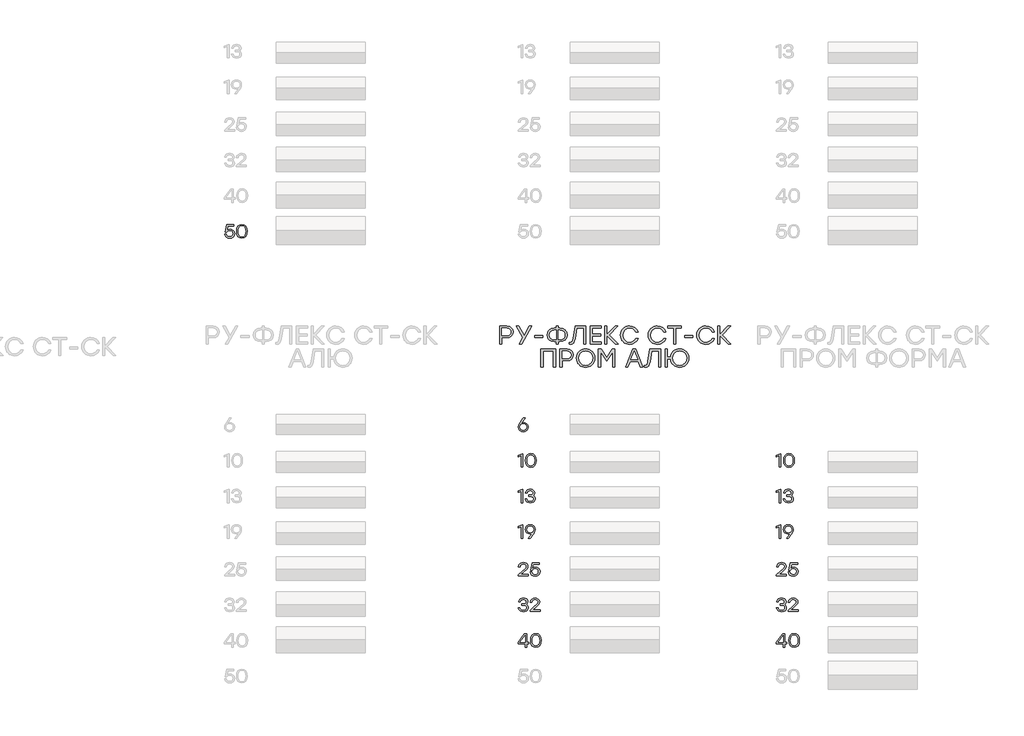
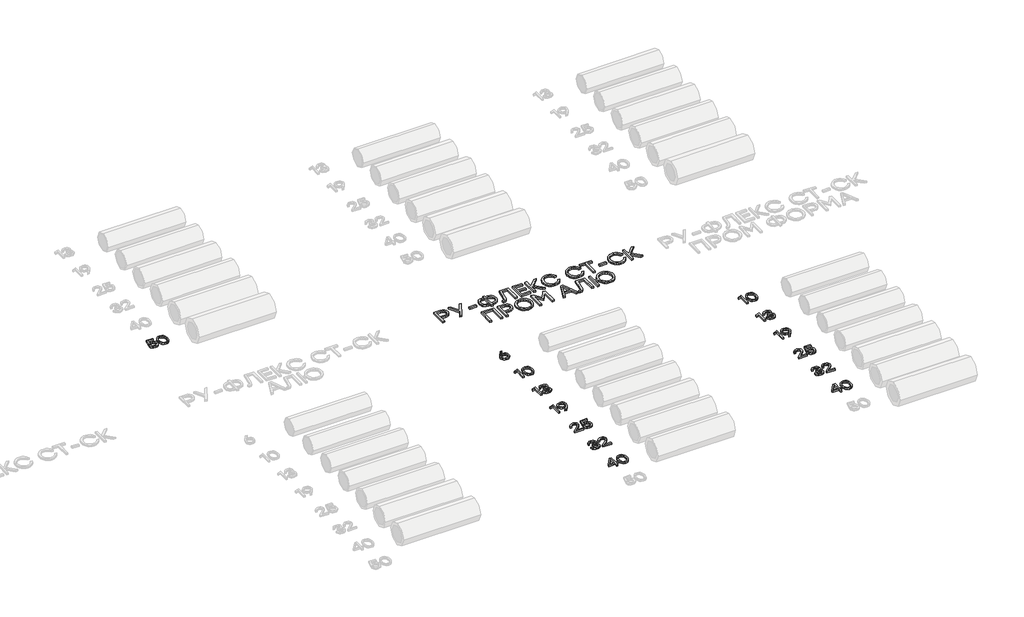
# One storey, part 37 of 41: 15 proxies.
"""IFC4 building model written with IfcOpenShell, lengths in millimetres."""

from ifc_helpers import new_model, si_unit, origin, origin_with_axes, place, context, project, spatial, polyline, outline, extrude, element, save

model = new_model("IFC4")

# Units and contexts
model_context = context("Model", 3, world=origin())
ifc_project = project(units=[si_unit("LENGTHUNIT", "METRE", prefix="MILLI")], contexts=[model_context])

# Site, building, storey
site = spatial("IfcSite", under=ifc_project)
building = spatial("IfcBuilding", under=site)
storey = spatial("IfcBuildingStorey", under=building, Elevation=0.0)

# Proxies
placement = place(None, origin())
element("IfcBuildingElementProxy", 1, Name="Generic Models", at=placement, inside=storey, context=model_context, shape_type="SweptSolid", body=[
    extrude(outline(polyline([(25600.1133644, -11272.3174479), (25620.0017829, -11275.6910158), (25636.4208221, -11285.8117197), (25647.4340843, -11301.5096524), (25651.1051717, -11321.6149072), (25647.1970773, -11342.3152008), (25635.4727941, -11358.9914178), (25617.9090614, -11369.9895519), (25596.4826186, -11373.6555966), (25575.5251471, -11370.6047616), (25557.6739804, -11361.4522566), (25544.6537227, -11346.7225227), (25538.1889781, -11326.940001), (25556.1813405, -11326.940001), (25561.3299397, -11339.6425685), (25570.3210782, -11349.0270378), (25582.3176674, -11354.8211029), (25596.4826186, -11356.7524579), (25610.9703028, -11354.2311067), (25622.7248422, -11346.667053), (25630.5158175, -11335.3613141), (25633.1128093, -11321.6149072), (25630.541031, -11307.6718348), (25622.8256963, -11296.7442986), (25611.1467974, -11289.6794724), (25596.6843267, -11287.3245304), (25575.6865136, -11292.195781), (25561.1030181, -11306.8095327), (25543.9578297, -11306.8095327), (25562.1922418, -11221.3256405), (25644.0453882, -11221.3256405), (25644.0453882, -11238.2287792), (25575.6663428, -11238.2287792), (25565.8229876, -11284.9443748), (25581.2536571, -11275.4741796), (25600.1133644, -11272.3174479)])), origin_with_axes(), (0.0, 0.0, 1.0), 20.0),
    extrude(outline(polyline([(25733.2810511, -11218.945485), (25758.7870401, -11224.0083582), (25777.8585409, -11239.1969781), (25789.7492333, -11263.5986153), (25793.7127974, -11296.3005408), (25789.7492333, -11329.0024663), (25777.8585409, -11353.4041035), (25758.7870401, -11368.5927233), (25733.2810511, -11373.6555966), (25707.9263431, -11368.6229795), (25688.8245861, -11353.5251284), (25676.8431251, -11329.1587901), (25672.8493047, -11296.3207116), (25676.8431251, -11263.4775904), (25688.8245861, -11239.096124), (25707.9263431, -11223.9831447), (25733.2810511, -11218.945485)]), holes=[polyline([(25702.096979, -11342.0681084), (25715.520653, -11353.0813705), (25733.2810511, -11356.7524579), (25751.0414492, -11353.0813705), (25764.4651231, -11342.0681084), (25772.906607, -11323.2890844), (25775.720435, -11296.3207116), (25772.906607, -11269.3523388), (25764.4651231, -11250.5733148), (25751.0414492, -11239.5600526), (25733.2810511, -11235.8889653), (25715.520653, -11239.5600526), (25702.096979, -11250.5733148), (25693.6554951, -11269.3523388), (25690.8416671, -11296.3207116), (25693.6554951, -11323.2890844), (25702.096979, -11342.0681084)])]), origin_with_axes(), (0.0, 0.0, 1.0), 20.0),
])
element("IfcBuildingElementProxy", 2, Name="Generic Models", at=placement, inside=storey, context=model_context, shape_type="SweptSolid", body=[
    extrude(outline(polyline([(28899.0241406, -13446.3810501), (28918.6906803, -13449.7294046), (28935.2509151, -13459.7744679), (28946.5062271, -13475.6085536), (28950.2579977, -13496.3239753), (28946.2389638, -13517.8411868), (28934.1818622, -13534.870393), (28916.1239447, -13545.9592957), (28894.102463, -13549.6555966), (28872.2625187, -13545.9895519), (28854.2651136, -13534.9914178), (28842.208012, -13517.8311013), (28838.1889781, -13495.6785094), (28840.8111834, -13477.8323854), (28848.6777992, -13459.8753219), (28890.4717173, -13400.3109204), (28892.8115312, -13397.3256405), (28913.627807, -13397.3256405), (28870.9463733, -13454.3283492), (28884.9449154, -13448.3678749), (28899.0241406, -13446.3810501)]), holes=[polyline([(28894.102463, -13532.7524579), (28909.2103996, -13530.2311067), (28921.5347644, -13522.667053), (28929.7341987, -13511.0385811), (28932.4673434, -13496.3239753), (28929.7341987, -13481.5085155), (28921.5347644, -13470.0615809), (28909.2608266, -13462.7395769), (28894.3041711, -13460.2989089), (28878.9743556, -13462.7647904), (28866.7911865, -13470.1624349), (28858.833802, -13481.6850101), (28856.1813405, -13496.5256834), (28858.884229, -13511.3663568), (28866.9928946, -13522.8889319), (28879.1760637, -13530.2865764), (28894.102463, -13532.7524579)])]), origin_with_axes(), (0.0, 0.0, 1.0), 20.0),
])
element("IfcBuildingElementProxy", 3, Name="Generic Models", at=placement, inside=storey, context=model_context, shape_type="SweptSolid", body=[
    extrude(outline(polyline([(28880.1846042, -13797.3256405), (28888.3336114, -13797.3256405), (28888.3336114, -13947.3157827), (28870.5429571, -13947.3157827), (28870.5429571, -13818.1015747), (28836.0508722, -13832.0194335), (28836.0508722, -13814.4708289), (28880.1846042, -13797.3256405)])), origin_with_axes(), (0.0, 0.0, 1.0), 20.0),
    extrude(outline(polyline([(28979.0619142, -13794.945485), (29004.5679032, -13800.0083582), (29023.639404, -13815.1969781), (29035.5300964, -13839.5986153), (29039.4936605, -13872.3005408), (29035.5300964, -13905.0024663), (29023.639404, -13929.4041035), (29004.5679032, -13944.5927233), (28979.0619142, -13949.6555966), (28953.7072062, -13944.6229795), (28934.6054492, -13929.5251284), (28922.6239882, -13905.1587901), (28918.6301678, -13872.3207116), (28922.6239882, -13839.4775904), (28934.6054492, -13815.096124), (28953.7072062, -13799.9831447), (28979.0619142, -13794.945485)]), holes=[polyline([(28947.8778421, -13918.0681084), (28961.3015161, -13929.0813705), (28979.0619142, -13932.7524579), (28996.8223123, -13929.0813705), (29010.2459862, -13918.0681084), (29018.6874701, -13899.2890844), (29021.5012981, -13872.3207116), (29018.6874701, -13845.3523388), (29010.2459862, -13826.5733148), (28996.8223123, -13815.5600526), (28979.0619142, -13811.8889653), (28961.3015161, -13815.5600526), (28947.8778421, -13826.5733148), (28939.4363582, -13845.3523388), (28936.6225302, -13872.3207116), (28939.4363582, -13899.2890844), (28947.8778421, -13918.0681084)])]), origin_with_axes(), (0.0, 0.0, 1.0), 20.0),
])
element("IfcBuildingElementProxy", 4, Name="Generic Models", at=placement, inside=storey, context=model_context, shape_type="SweptSolid", body=[
    extrude(outline(polyline([(28880.1846042, -14197.3256405), (28888.3336114, -14197.3256405), (28888.3336114, -14347.3157827), (28870.5429571, -14347.3157827), (28870.5429571, -14218.1015747), (28836.0508722, -14232.0194335), (28836.0508722, -14214.4708289), (28880.1846042, -14197.3256405)])), origin_with_axes(), (0.0, 0.0, 1.0), 20.0),
    extrude(outline(polyline([(29001.3708299, -14268.246208), (29012.5807575, -14273.7124975), (29020.9566862, -14281.9623587), (29026.1758833, -14292.6226317), (29027.9156157, -14305.3201565), (29024.2193147, -14323.5696968), (29013.130412, -14337.6539647), (28996.0406934, -14346.6551886), (28974.3419447, -14349.6555966), (28952.9558435, -14346.7661281), (28935.0290362, -14338.0977226), (28922.084419, -14323.9126005), (28915.644888, -14304.4729825), (28933.6372504, -14304.4729825), (28938.4984155, -14316.845253), (28946.8693016, -14325.6825891), (28958.7499086, -14330.9849907), (28974.1402366, -14332.7524579), (28989.0515078, -14330.8211029), (29000.3824602, -14325.0270378), (29007.538055, -14315.9148744), (29009.9232533, -14304.0292247), (29007.9162577, -14293.2479268), (29001.8952709, -14284.8669553), (28991.5274747, -14279.4813491), (28976.4800505, -14277.686147), (28955.7041163, -14277.686147), (28955.7041163, -14262.0335986), (28971.3566648, -14262.0335986), (28986.0763133, -14260.586343), (28996.5903479, -14256.2445761), (29002.8987687, -14249.0082981), (29005.0015756, -14238.8775088), (29002.7222741, -14227.7381791), (28995.8843696, -14219.1706276), (28985.2946944, -14213.7093808), (28971.760081, -14211.8889653), (28958.9213605, -14213.4169041), (28948.6443329, -14218.0007206), (28940.9794251, -14226.1144289), (28935.9770643, -14238.2320429), (28917.9847019, -14238.2320429), (28924.6561973, -14219.0294319), (28936.5216762, -14205.555331), (28952.6734522, -14197.5979465), (28972.2038388, -14194.945485), (28992.2183249, -14197.8652097), (29008.5314674, -14206.6243839), (29019.3783204, -14219.9925881), (29022.993938, -14236.739403), (29017.4267945, -14256.0226972), (29010.6292316, -14263.2539326), (29001.3708299, -14268.246208)])), origin_with_axes(), (0.0, 0.0, 1.0), 20.0),
])
element("IfcBuildingElementProxy", 5, Name="Generic Models", at=placement, inside=storey, context=model_context, shape_type="SweptSolid", body=[
    extrude(outline(polyline([(28880.1846042, -14597.3256405), (28888.3336114, -14597.3256405), (28888.3336114, -14747.3157827), (28870.5429571, -14747.3157827), (28870.5429571, -14618.1015747), (28836.0508722, -14632.0194335), (28836.0508722, -14614.4708289), (28880.1846042, -14597.3256405)])), origin_with_axes(), (0.0, 0.0, 1.0), 20.0),
    extrude(outline(polyline([(28971.760081, -14594.945485), (28993.6302816, -14598.5913589), (29011.6377721, -14609.5289805), (29023.6948737, -14626.6792116), (29027.7139076, -14648.9629138), (29025.0866596, -14666.8039951), (29017.2049156, -14684.7459305), (28975.4311684, -14744.3305028), (28973.0510128, -14747.3157827), (28952.2750787, -14747.3157827), (28994.9161707, -14690.313074), (28980.9377995, -14696.2735483), (28966.8384034, -14698.2603731), (28947.1769065, -14694.9120186), (28930.6317997, -14684.8669553), (28919.3916159, -14669.0328696), (28915.644888, -14648.3174479), (28919.6639218, -14626.7699802), (28931.7210234, -14609.7306886), (28949.7688555, -14598.6417859), (28971.760081, -14594.945485)]), holes=[polyline([(28971.5583729, -14684.3021727), (28986.9436581, -14681.8413339), (28999.2125532, -14674.4588174), (29007.2455782, -14662.9513704), (29009.9232533, -14648.1157398), (29007.1901085, -14633.2750664), (28998.9906743, -14621.7524913), (28986.7217792, -14614.3548468), (28971.7802518, -14611.8889653), (28956.8387244, -14614.4052738), (28944.5698293, -14621.9541994), (28936.3703951, -14633.5776286), (28933.6372504, -14648.3174479), (28936.3401389, -14663.127865), (28944.4488044, -14674.5596715), (28956.6319736, -14681.8665474), (28971.5583729, -14684.3021727)])]), origin_with_axes(), (0.0, 0.0, 1.0), 20.0),
])
element("IfcBuildingElementProxy", 6, Name="Generic Models", at=placement, inside=storey, context=model_context, shape_type="SweptSolid", body=[
    extrude(outline(polyline([(28950.7017555, -15154.1705943), (28950.7017555, -15171.3157827), (28838.1889781, -15171.3157827), (28838.1889781, -15158.446806), (28881.6772442, -15120.5256834), (28920.3648575, -15084.5409586), (28926.7186626, -15074.5765786), (28928.8365976, -15063.9667326), (28926.5320826, -15052.6912499), (28919.6185375, -15043.7152395), (28908.847325, -15037.8455338), (28894.9698079, -15035.8889653), (28881.0368209, -15037.9514306), (28870.0991993, -15044.1388265), (28862.222498, -15054.077993), (28857.4722723, -15067.3957703), (28839.4799099, -15067.3957703), (28845.6773913, -15047.3964123), (28857.8958593, -15032.0161698), (28874.9956634, -15022.2131562), (28895.8371527, -15018.945485), (28916.3811225, -15022.1072594), (28932.5883682, -15031.5925828), (28943.117531, -15045.8483026), (28946.6272519, -15063.3212667), (28944.0806872, -15077.9602319), (28936.4409929, -15091.0561302), (28896.2405689, -15129.3201565), (28867.5173356, -15154.1705943), (28950.7017555, -15154.1705943)])), origin_with_axes(), (0.0, 0.0, 1.0), 20.0),
    extrude(outline(polyline([(29031.7884111, -15072.3174479), (29051.6768297, -15075.6910158), (29068.0958689, -15085.8117197), (29079.1091311, -15101.5096524), (29082.7802185, -15121.6149072), (29078.8721241, -15142.3152008), (29067.1478408, -15158.9914178), (29049.5841081, -15169.9895519), (29028.1576654, -15173.6555966), (29007.2001939, -15170.6047616), (28989.3490272, -15161.4522566), (28976.3287694, -15146.7225227), (28969.8640249, -15126.940001), (28987.8563873, -15126.940001), (28993.0049865, -15139.6425685), (29001.996125, -15149.0270378), (29013.9927141, -15154.8211029), (29028.1576654, -15156.7524579), (29042.6453496, -15154.2311067), (29054.399889, -15146.667053), (29062.1908643, -15135.3613141), (29064.7878561, -15121.6149072), (29062.2160778, -15107.6718348), (29054.500743, -15096.7442986), (29042.8218441, -15089.6794724), (29028.3593735, -15087.3245304), (29007.3615604, -15092.195781), (28992.7780649, -15106.8095327), (28975.6328765, -15106.8095327), (28993.8672886, -15021.3256405), (29075.720435, -15021.3256405), (29075.720435, -15038.2287792), (29007.3413896, -15038.2287792), (28997.4980344, -15084.9443748), (29012.9287039, -15075.4741796), (29031.7884111, -15072.3174479)])), origin_with_axes(), (0.0, 0.0, 1.0), 20.0),
])
element("IfcBuildingElementProxy", 7, Name="Generic Models", at=placement, inside=storey, context=model_context, shape_type="SweptSolid", body=[
    extrude(outline(polyline([(28923.91492, -15492.246208), (28935.1248476, -15497.7124975), (28943.5007764, -15505.9623587), (28948.7199734, -15516.6226317), (28950.4597058, -15529.3201565), (28946.7634049, -15547.5696968), (28935.6745022, -15561.6539647), (28918.5847835, -15570.6551886), (28896.8860348, -15573.6555966), (28875.4999336, -15570.7661281), (28857.5731264, -15562.0977226), (28844.6285091, -15547.9126005), (28838.1889781, -15528.4729825), (28856.1813405, -15528.4729825), (28861.0425057, -15540.845253), (28869.4133918, -15549.6825891), (28881.2939988, -15554.9849907), (28896.6843267, -15556.7524579), (28911.5955979, -15554.8211029), (28922.9265503, -15549.0270378), (28930.0821451, -15539.9148744), (28932.4673434, -15528.0292247), (28930.4603478, -15517.2479268), (28924.4393611, -15508.8669553), (28914.0715648, -15503.4813491), (28899.0241406, -15501.686147), (28878.2482065, -15501.686147), (28878.2482065, -15486.0335986), (28893.9007549, -15486.0335986), (28908.6204034, -15484.586343), (28919.1344381, -15480.2445761), (28925.4428589, -15473.0082981), (28927.5456658, -15462.8775088), (28925.2663643, -15451.7381791), (28918.4284597, -15443.1706276), (28907.8387845, -15437.7093808), (28894.3041711, -15435.8889653), (28881.4654507, -15437.4169041), (28871.188423, -15442.0007206), (28863.5235153, -15450.1144289), (28858.5211544, -15462.2320429), (28840.528792, -15462.2320429), (28847.2002874, -15443.0294319), (28859.0657663, -15429.555331), (28875.2175423, -15421.5979465), (28894.7479289, -15418.945485), (28914.762415, -15421.8652097), (28931.0755575, -15430.6243839), (28941.9224105, -15443.9925881), (28945.5380282, -15460.739403), (28939.9708847, -15480.0226972), (28933.1733217, -15487.2539326), (28923.91492, -15492.246208)])), origin_with_axes(), (0.0, 0.0, 1.0), 20.0),
    extrude(outline(polyline([(29082.3768023, -15554.1705943), (29082.3768023, -15571.3157827), (28969.8640249, -15571.3157827), (28969.8640249, -15558.446806), (29013.3522909, -15520.5256834), (29052.0399042, -15484.5409586), (29058.3937094, -15474.5765786), (29060.5116444, -15463.9667326), (29058.2071294, -15452.6912499), (29051.2935843, -15443.7152395), (29040.5223718, -15437.8455338), (29026.6448546, -15435.8889653), (29012.7118677, -15437.9514306), (29001.7742461, -15444.1388265), (28993.8975448, -15454.077993), (28989.1473191, -15467.3957703), (28971.1549567, -15467.3957703), (28977.352438, -15447.3964123), (28989.5709061, -15432.0161698), (29006.6707102, -15422.2131562), (29027.5121995, -15418.945485), (29048.0561693, -15422.1072594), (29064.263415, -15431.5925828), (29074.7925778, -15445.8483026), (29078.3022987, -15463.3212667), (29075.7557339, -15477.9602319), (29068.1160397, -15491.0561302), (29027.9156157, -15529.3201565), (28999.1923824, -15554.1705943), (29082.3768023, -15554.1705943)])), origin_with_axes(), (0.0, 0.0, 1.0), 20.0),
])
element("IfcBuildingElementProxy", 8, Name="Generic Models", at=placement, inside=storey, context=model_context, shape_type="SweptSolid", body=[
    extrude(outline(polyline([(28956.268899, -15918.5892857), (28956.268899, -15935.3310579), (28934.202033, -15935.3310579), (28934.202033, -15971.3157827), (28916.4113787, -15971.3157827), (28916.4113787, -15935.3310579), (28836.0508722, -15935.3310579), (28836.0508722, -15918.5892857), (28907.6169056, -15821.3256405), (28934.202033, -15821.3256405), (28934.202033, -15918.5892857), (28956.268899, -15918.5892857)]), holes=[polyline([(28855.7375827, -15918.3875776), (28916.4113787, -15918.3875776), (28916.4113787, -15838.0270711), (28914.6766891, -15838.0270711), (28855.7375827, -15918.3875776)])]), origin_with_axes(), (0.0, 0.0, 1.0), 20.0),
    extrude(outline(polyline([(29035.8629147, -15818.945485), (29061.3689038, -15824.0083582), (29080.4404045, -15839.1969781), (29092.3310969, -15863.5986153), (29096.2946611, -15896.3005408), (29092.3310969, -15929.0024663), (29080.4404045, -15953.4041035), (29061.3689038, -15968.5927233), (29035.8629147, -15973.6555966), (29010.5082067, -15968.6229795), (28991.4064498, -15953.5251284), (28979.4249887, -15929.1587901), (28975.4311684, -15896.3207116), (28979.4249887, -15863.4775904), (28991.4064498, -15839.096124), (29010.5082067, -15823.9831447), (29035.8629147, -15818.945485)]), holes=[polyline([(29004.6788427, -15942.0681084), (29018.1025167, -15953.0813705), (29035.8629147, -15956.7524579), (29053.6233128, -15953.0813705), (29067.0469868, -15942.0681084), (29075.4884707, -15923.2890844), (29078.3022987, -15896.3207116), (29075.4884707, -15869.3523388), (29067.0469868, -15850.5733148), (29053.6233128, -15839.5600526), (29035.8629147, -15835.8889653), (29018.1025167, -15839.5600526), (29004.6788427, -15850.5733148), (28996.2373588, -15869.3523388), (28993.4235308, -15896.3207116), (28996.2373588, -15923.2890844), (29004.6788427, -15942.0681084)])]), origin_with_axes(), (0.0, 0.0, 1.0), 20.0),
])
element("IfcBuildingElementProxy", 9, Name="Generic Models", at=placement, inside=storey, context=model_context, shape_type="SweptSolid", body=[
    extrude(outline(polyline([(31780.1846042, -13797.3256405), (31788.3336114, -13797.3256405), (31788.3336114, -13947.3157827), (31770.5429571, -13947.3157827), (31770.5429571, -13818.1015747), (31736.0508722, -13832.0194335), (31736.0508722, -13814.4708289), (31780.1846042, -13797.3256405)])), origin_with_axes(), (0.0, 0.0, 1.0), 20.0),
    extrude(outline(polyline([(31879.0619142, -13794.945485), (31904.5679032, -13800.0083582), (31923.639404, -13815.1969781), (31935.5300964, -13839.5986153), (31939.4936605, -13872.3005408), (31935.5300964, -13905.0024663), (31923.639404, -13929.4041035), (31904.5679032, -13944.5927233), (31879.0619142, -13949.6555966), (31853.7072062, -13944.6229795), (31834.6054492, -13929.5251284), (31822.6239882, -13905.1587901), (31818.6301678, -13872.3207116), (31822.6239882, -13839.4775904), (31834.6054492, -13815.096124), (31853.7072062, -13799.9831447), (31879.0619142, -13794.945485)]), holes=[polyline([(31847.8778421, -13918.0681084), (31861.3015161, -13929.0813705), (31879.0619142, -13932.7524579), (31896.8223123, -13929.0813705), (31910.2459862, -13918.0681084), (31918.6874701, -13899.2890844), (31921.5012981, -13872.3207116), (31918.6874701, -13845.3523388), (31910.2459862, -13826.5733148), (31896.8223123, -13815.5600526), (31879.0619142, -13811.8889653), (31861.3015161, -13815.5600526), (31847.8778421, -13826.5733148), (31839.4363582, -13845.3523388), (31836.6225302, -13872.3207116), (31839.4363582, -13899.2890844), (31847.8778421, -13918.0681084)])]), origin_with_axes(), (0.0, 0.0, 1.0), 20.0),
])
element("IfcBuildingElementProxy", 10, Name="Generic Models", at=placement, inside=storey, context=model_context, shape_type="SweptSolid", body=[
    extrude(outline(polyline([(31780.1846042, -14197.3256405), (31788.3336114, -14197.3256405), (31788.3336114, -14347.3157827), (31770.5429571, -14347.3157827), (31770.5429571, -14218.1015747), (31736.0508722, -14232.0194335), (31736.0508722, -14214.4708289), (31780.1846042, -14197.3256405)])), origin_with_axes(), (0.0, 0.0, 1.0), 20.0),
    extrude(outline(polyline([(31901.3708299, -14268.246208), (31912.5807575, -14273.7124975), (31920.9566862, -14281.9623587), (31926.1758833, -14292.6226317), (31927.9156157, -14305.3201565), (31924.2193147, -14323.5696968), (31913.130412, -14337.6539647), (31896.0406934, -14346.6551886), (31874.3419447, -14349.6555966), (31852.9558435, -14346.7661281), (31835.0290362, -14338.0977226), (31822.084419, -14323.9126005), (31815.644888, -14304.4729825), (31833.6372504, -14304.4729825), (31838.4984155, -14316.845253), (31846.8693016, -14325.6825891), (31858.7499086, -14330.9849907), (31874.1402366, -14332.7524579), (31889.0515078, -14330.8211029), (31900.3824602, -14325.0270378), (31907.538055, -14315.9148744), (31909.9232533, -14304.0292247), (31907.9162577, -14293.2479268), (31901.8952709, -14284.8669553), (31891.5274747, -14279.4813491), (31876.4800505, -14277.686147), (31855.7041163, -14277.686147), (31855.7041163, -14262.0335986), (31871.3566648, -14262.0335986), (31886.0763133, -14260.586343), (31896.5903479, -14256.2445761), (31902.8987687, -14249.0082981), (31905.0015756, -14238.8775088), (31902.7222741, -14227.7381791), (31895.8843696, -14219.1706276), (31885.2946944, -14213.7093808), (31871.760081, -14211.8889653), (31858.9213605, -14213.4169041), (31848.6443329, -14218.0007206), (31840.9794251, -14226.1144289), (31835.9770643, -14238.2320429), (31817.9847019, -14238.2320429), (31824.6561973, -14219.0294319), (31836.5216762, -14205.555331), (31852.6734522, -14197.5979465), (31872.2038388, -14194.945485), (31892.2183249, -14197.8652097), (31908.5314674, -14206.6243839), (31919.3783204, -14219.9925881), (31922.993938, -14236.739403), (31917.4267945, -14256.0226972), (31910.6292316, -14263.2539326), (31901.3708299, -14268.246208)])), origin_with_axes(), (0.0, 0.0, 1.0), 20.0),
])
element("IfcBuildingElementProxy", 11, Name="Generic Models", at=placement, inside=storey, context=model_context, shape_type="SweptSolid", body=[
    extrude(outline(polyline([(31780.1846042, -14597.3256405), (31788.3336114, -14597.3256405), (31788.3336114, -14747.3157827), (31770.5429571, -14747.3157827), (31770.5429571, -14618.1015747), (31736.0508722, -14632.0194335), (31736.0508722, -14614.4708289), (31780.1846042, -14597.3256405)])), origin_with_axes(), (0.0, 0.0, 1.0), 20.0),
    extrude(outline(polyline([(31871.760081, -14594.945485), (31893.6302816, -14598.5913589), (31911.6377721, -14609.5289805), (31923.6948737, -14626.6792116), (31927.7139076, -14648.9629138), (31925.0866596, -14666.8039951), (31917.2049156, -14684.7459305), (31875.4311684, -14744.3305028), (31873.0510128, -14747.3157827), (31852.2750787, -14747.3157827), (31894.9161707, -14690.313074), (31880.9377995, -14696.2735483), (31866.8384034, -14698.2603731), (31847.1769065, -14694.9120186), (31830.6317997, -14684.8669553), (31819.3916159, -14669.0328696), (31815.644888, -14648.3174479), (31819.6639218, -14626.7699802), (31831.7210234, -14609.7306886), (31849.7688555, -14598.6417859), (31871.760081, -14594.945485)]), holes=[polyline([(31871.5583729, -14684.3021727), (31886.9436581, -14681.8413339), (31899.2125532, -14674.4588174), (31907.2455782, -14662.9513704), (31909.9232533, -14648.1157398), (31907.1901085, -14633.2750664), (31898.9906743, -14621.7524913), (31886.7217792, -14614.3548468), (31871.7802518, -14611.8889653), (31856.8387244, -14614.4052738), (31844.5698293, -14621.9541994), (31836.3703951, -14633.5776286), (31833.6372504, -14648.3174479), (31836.3401389, -14663.127865), (31844.4488044, -14674.5596715), (31856.6319736, -14681.8665474), (31871.5583729, -14684.3021727)])]), origin_with_axes(), (0.0, 0.0, 1.0), 20.0),
])
element("IfcBuildingElementProxy", 12, Name="Generic Models", at=placement, inside=storey, context=model_context, shape_type="SweptSolid", body=[
    extrude(outline(polyline([(31850.7017555, -15154.1705943), (31850.7017555, -15171.3157827), (31738.1889781, -15171.3157827), (31738.1889781, -15158.446806), (31781.6772442, -15120.5256834), (31820.3648575, -15084.5409586), (31826.7186626, -15074.5765786), (31828.8365976, -15063.9667326), (31826.5320826, -15052.6912499), (31819.6185375, -15043.7152395), (31808.847325, -15037.8455338), (31794.9698079, -15035.8889653), (31781.0368209, -15037.9514306), (31770.0991993, -15044.1388265), (31762.222498, -15054.077993), (31757.4722723, -15067.3957703), (31739.4799099, -15067.3957703), (31745.6773913, -15047.3964123), (31757.8958593, -15032.0161698), (31774.9956634, -15022.2131562), (31795.8371527, -15018.945485), (31816.3811225, -15022.1072594), (31832.5883682, -15031.5925828), (31843.117531, -15045.8483026), (31846.6272519, -15063.3212667), (31844.0806872, -15077.9602319), (31836.4409929, -15091.0561302), (31796.2405689, -15129.3201565), (31767.5173356, -15154.1705943), (31850.7017555, -15154.1705943)])), origin_with_axes(), (0.0, 0.0, 1.0), 20.0),
    extrude(outline(polyline([(31931.7884111, -15072.3174479), (31951.6768297, -15075.6910158), (31968.0958689, -15085.8117197), (31979.1091311, -15101.5096524), (31982.7802185, -15121.6149072), (31978.8721241, -15142.3152008), (31967.1478408, -15158.9914178), (31949.5841081, -15169.9895519), (31928.1576654, -15173.6555966), (31907.2001939, -15170.6047616), (31889.3490272, -15161.4522566), (31876.3287694, -15146.7225227), (31869.8640249, -15126.940001), (31887.8563873, -15126.940001), (31893.0049865, -15139.6425685), (31901.996125, -15149.0270378), (31913.9927141, -15154.8211029), (31928.1576654, -15156.7524579), (31942.6453496, -15154.2311067), (31954.399889, -15146.667053), (31962.1908643, -15135.3613141), (31964.7878561, -15121.6149072), (31962.2160778, -15107.6718348), (31954.500743, -15096.7442986), (31942.8218441, -15089.6794724), (31928.3593735, -15087.3245304), (31907.3615604, -15092.195781), (31892.7780649, -15106.8095327), (31875.6328765, -15106.8095327), (31893.8672886, -15021.3256405), (31975.720435, -15021.3256405), (31975.720435, -15038.2287792), (31907.3413896, -15038.2287792), (31897.4980344, -15084.9443748), (31912.9287039, -15075.4741796), (31931.7884111, -15072.3174479)])), origin_with_axes(), (0.0, 0.0, 1.0), 20.0),
])
element("IfcBuildingElementProxy", 13, Name="Generic Models", at=placement, inside=storey, context=model_context, shape_type="SweptSolid", body=[
    extrude(outline(polyline([(31823.91492, -15492.246208), (31835.1248476, -15497.7124975), (31843.5007764, -15505.9623587), (31848.7199734, -15516.6226317), (31850.4597058, -15529.3201565), (31846.7634049, -15547.5696968), (31835.6745022, -15561.6539647), (31818.5847835, -15570.6551886), (31796.8860348, -15573.6555966), (31775.4999336, -15570.7661281), (31757.5731264, -15562.0977226), (31744.6285091, -15547.9126005), (31738.1889781, -15528.4729825), (31756.1813405, -15528.4729825), (31761.0425057, -15540.845253), (31769.4133918, -15549.6825891), (31781.2939988, -15554.9849907), (31796.6843267, -15556.7524579), (31811.5955979, -15554.8211029), (31822.9265503, -15549.0270378), (31830.0821451, -15539.9148744), (31832.4673434, -15528.0292247), (31830.4603478, -15517.2479268), (31824.4393611, -15508.8669553), (31814.0715648, -15503.4813491), (31799.0241406, -15501.686147), (31778.2482065, -15501.686147), (31778.2482065, -15486.0335986), (31793.9007549, -15486.0335986), (31808.6204034, -15484.586343), (31819.1344381, -15480.2445761), (31825.4428589, -15473.0082981), (31827.5456658, -15462.8775088), (31825.2663643, -15451.7381791), (31818.4284597, -15443.1706276), (31807.8387845, -15437.7093808), (31794.3041711, -15435.8889653), (31781.4654507, -15437.4169041), (31771.188423, -15442.0007206), (31763.5235153, -15450.1144289), (31758.5211544, -15462.2320429), (31740.528792, -15462.2320429), (31747.2002874, -15443.0294319), (31759.0657663, -15429.555331), (31775.2175423, -15421.5979465), (31794.7479289, -15418.945485), (31814.762415, -15421.8652097), (31831.0755575, -15430.6243839), (31841.9224105, -15443.9925881), (31845.5380282, -15460.739403), (31839.9708847, -15480.0226972), (31833.1733217, -15487.2539326), (31823.91492, -15492.246208)])), origin_with_axes(), (0.0, 0.0, 1.0), 20.0),
    extrude(outline(polyline([(31982.3768023, -15554.1705943), (31982.3768023, -15571.3157827), (31869.8640249, -15571.3157827), (31869.8640249, -15558.446806), (31913.3522909, -15520.5256834), (31952.0399042, -15484.5409586), (31958.3937094, -15474.5765786), (31960.5116444, -15463.9667326), (31958.2071294, -15452.6912499), (31951.2935843, -15443.7152395), (31940.5223718, -15437.8455338), (31926.6448546, -15435.8889653), (31912.7118677, -15437.9514306), (31901.7742461, -15444.1388265), (31893.8975448, -15454.077993), (31889.1473191, -15467.3957703), (31871.1549567, -15467.3957703), (31877.352438, -15447.3964123), (31889.5709061, -15432.0161698), (31906.6707102, -15422.2131562), (31927.5121995, -15418.945485), (31948.0561693, -15422.1072594), (31964.263415, -15431.5925828), (31974.7925778, -15445.8483026), (31978.3022987, -15463.3212667), (31975.7557339, -15477.9602319), (31968.1160397, -15491.0561302), (31927.9156157, -15529.3201565), (31899.1923824, -15554.1705943), (31982.3768023, -15554.1705943)])), origin_with_axes(), (0.0, 0.0, 1.0), 20.0),
])
element("IfcBuildingElementProxy", 14, Name="Generic Models", at=placement, inside=storey, context=model_context, shape_type="SweptSolid", body=[
    extrude(outline(polyline([(31856.268899, -15918.5892857), (31856.268899, -15935.3310579), (31834.202033, -15935.3310579), (31834.202033, -15971.3157827), (31816.4113787, -15971.3157827), (31816.4113787, -15935.3310579), (31736.0508722, -15935.3310579), (31736.0508722, -15918.5892857), (31807.6169056, -15821.3256405), (31834.202033, -15821.3256405), (31834.202033, -15918.5892857), (31856.268899, -15918.5892857)]), holes=[polyline([(31755.7375827, -15918.3875776), (31816.4113787, -15918.3875776), (31816.4113787, -15838.0270711), (31814.6766891, -15838.0270711), (31755.7375827, -15918.3875776)])]), origin_with_axes(), (0.0, 0.0, 1.0), 20.0),
    extrude(outline(polyline([(31935.8629147, -15818.945485), (31961.3689038, -15824.0083582), (31980.4404045, -15839.1969781), (31992.3310969, -15863.5986153), (31996.2946611, -15896.3005408), (31992.3310969, -15929.0024663), (31980.4404045, -15953.4041035), (31961.3689038, -15968.5927233), (31935.8629147, -15973.6555966), (31910.5082067, -15968.6229795), (31891.4064498, -15953.5251284), (31879.4249887, -15929.1587901), (31875.4311684, -15896.3207116), (31879.4249887, -15863.4775904), (31891.4064498, -15839.096124), (31910.5082067, -15823.9831447), (31935.8629147, -15818.945485)]), holes=[polyline([(31904.6788427, -15942.0681084), (31918.1025167, -15953.0813705), (31935.8629147, -15956.7524579), (31953.6233128, -15953.0813705), (31967.0469868, -15942.0681084), (31975.4884707, -15923.2890844), (31978.3022987, -15896.3207116), (31975.4884707, -15869.3523388), (31967.0469868, -15850.5733148), (31953.6233128, -15839.5600526), (31935.8629147, -15835.8889653), (31918.1025167, -15839.5600526), (31904.6788427, -15850.5733148), (31896.2373588, -15869.3523388), (31893.4235308, -15896.3207116), (31896.2373588, -15923.2890844), (31904.6788427, -15942.0681084)])]), origin_with_axes(), (0.0, 0.0, 1.0), 20.0),
])
element("IfcBuildingElementProxy", 15, Name="Generic Models", at=placement, inside=storey, context=model_context, shape_type="SweptSolid", body=[
    extrude(outline(polyline([(28710.1380532, -12363.4876334), (28739.157125, -12367.952106), (28761.0222829, -12381.3455237), (28774.7384336, -12401.7987249), (28779.3104838, -12427.4425478), (28774.6980919, -12453.4763398), (28760.8609164, -12474.3464044), (28738.9554169, -12488.0625551), (28710.1380532, -12492.6346053), (28653.5522079, -12492.6346053), (28653.5522079, -12563.4744896), (28629.8313355, -12563.4744896), (28629.8313355, -12363.4876334), (28710.1380532, -12363.4876334)]), holes=[polyline([(28709.277432, -12470.0432983), (28729.1456797, -12467.0445712), (28743.5678087, -12458.04839), (28752.342111, -12444.4801586), (28755.2668784, -12427.7652808), (28752.342111, -12411.1176391), (28743.5678087, -12397.7511157), (28729.1456797, -12388.9566426), (28709.277432, -12386.0251516), (28653.5522079, -12386.0251516), (28653.5522079, -12470.0432983), (28709.277432, -12470.0432983)])]), origin_with_axes(), (0.0, 0.0, 1.0), 20.0),
    extrude(outline(polyline([(28988.3338628, -12363.4876334), (28875.2159611, -12563.4744896), (28848.3753368, -12563.4744896), (28889.792733, -12490.9133629), (28816.9088734, -12363.4876334), (28843.8032865, -12363.4876334), (28902.9172066, -12465.471248), (28961.7621826, -12363.4876334), (28988.3338628, -12363.4876334)])), origin_with_axes(), (0.0, 0.0, 1.0), 20.0),
    extrude(outline(polyline([(29114.8989711, -12466.0629251), (29114.8989711, -12488.6004433), (29022.2746122, -12488.6004433), (29022.2746122, -12466.0629251), (29114.8989711, -12466.0629251)])), origin_with_axes(), (0.0, 0.0, 1.0), 20.0),
    extrude(outline(polyline([(29305.4727826, -12386.0251516), (29337.1207833, -12391.1350901), (29362.8923547, -12406.4649056), (29372.8819483, -12417.5672555), (29380.0173723, -12430.4345513), (29385.7257115, -12461.4639805), (29380.0509903, -12492.4934096), (29372.9575888, -12505.3607054), (29363.0268268, -12516.4630554), (29337.2888734, -12531.7928709), (29305.4727826, -12536.9028094), (29285.7322834, -12536.9028094), (29285.7322834, -12563.4744896), (29262.011411, -12563.4744896), (29262.011411, -12536.9028094), (29242.0557564, -12536.9028094), (29210.1993241, -12531.7928709), (29184.4479235, -12516.4630554), (29174.5171614, -12505.3607054), (29167.4237599, -12492.4934096), (29161.7490388, -12461.4639805), (29167.4641016, -12430.4345513), (29174.6079301, -12417.5672555), (29184.6092899, -12406.4649056), (29210.4010322, -12391.1350901), (29242.0557564, -12386.0251516), (29262.011411, -12386.0251516), (29262.011411, -12363.4876334), (29285.7322834, -12363.4876334), (29285.7322834, -12386.0251516), (29305.4727826, -12386.0251516)]), holes=[polyline([(29305.4727826, -12514.3115023), (29328.0775369, -12510.8488466), (29346.1909241, -12500.4608795), (29358.091702, -12483.7863434), (29362.0586279, -12461.4639805), (29358.091702, -12439.1416176), (29346.1909241, -12422.4670814), (29328.0775369, -12412.0791143), (29305.4727826, -12408.6164586), (29285.7322834, -12408.6164586), (29285.7322834, -12514.3115023), (29305.4727826, -12514.3115023)]), polyline([(29242.0557564, -12514.3115023), (29262.011411, -12514.3115023), (29262.011411, -12408.6164586), (29242.0557564, -12408.6164586), (29219.6527103, -12412.0791143), (29201.6065591, -12422.4670814), (29189.7057812, -12439.1416176), (29185.7388553, -12461.4639805), (29189.6654396, -12483.7863434), (29201.4451926, -12500.4608795), (29219.4510022, -12510.8488466), (29242.0557564, -12514.3115023)])]), origin_with_axes(), (0.0, 0.0, 1.0), 20.0),
    extrude(outline(polyline([(29475.3916849, -12363.4876334), (29595.6635005, -12363.4876334), (29595.6635005, -12563.4744896), (29571.9426281, -12563.4744896), (29571.9426281, -12386.0251516), (29495.3473395, -12386.0251516), (29476.2523061, -12502.3165941), (29469.1521811, -12532.3374827), (29459.3626147, -12552.044364), (29446.1574578, -12562.9567721), (29428.8105613, -12566.5942415), (29413.1042241, -12565.7336203), (29413.1042241, -12544.0567233), (29424.2385111, -12544.5946115), (29434.9357639, -12542.3085864), (29442.4998176, -12535.4505111), (29452.8003779, -12500.9180846), (29475.3916849, -12363.4876334)])), origin_with_axes(), (0.0, 0.0, 1.0), 20.0),
    extrude(outline(polyline([(29772.2522172, -12386.0251516), (29669.0852484, -12386.0251516), (29669.0852484, -12449.4959666), (29765.3672475, -12449.4959666), (29765.3672475, -12472.0334848), (29669.0852484, -12472.0334848), (29669.0852484, -12540.8831825), (29772.2522172, -12540.8831825), (29772.2522172, -12563.4744896), (29645.364376, -12563.4744896), (29645.364376, -12363.4876334), (29772.2522172, -12363.4876334), (29772.2522172, -12386.0251516)])), origin_with_axes(), (0.0, 0.0, 1.0), 20.0),
    extrude(outline(polyline([(29958.8994445, -12563.4744896), (29928.3473912, -12563.4744896), (29834.3245228, -12466.3318693), (29834.3245228, -12563.4744896), (29810.6036504, -12563.4744896), (29810.6036504, -12363.4876334), (29834.3245228, -12363.4876334), (29834.3245228, -12457.1877688), (29925.2276392, -12363.4876334), (29955.5107484, -12363.4876334), (29860.896203, -12461.4908749), (29958.8994445, -12563.4744896)])), origin_with_axes(), (0.0, 0.0, 1.0), 20.0),
    extrude(outline(polyline([(30087.9388388, -12566.5942415), (30066.7409985, -12564.755336), (30047.4156818, -12559.2386195), (30029.9628885, -12550.044092), (30014.3826188, -12537.1717535), (30001.5691119, -12521.5309713), (29992.4166069, -12504.0311129), (29986.9251039, -12484.6721781), (29985.0946029, -12463.4541671), (29986.9251039, -12442.236156), (29992.4166069, -12422.8772212), (30001.5691119, -12405.3773628), (30014.3826188, -12389.7365806), (30029.9628885, -12376.8642421), (30047.4156818, -12367.6697146), (30066.7409985, -12362.1529981), (30087.9388388, -12360.3140926), (30119.4187494, -12364.8525248), (30146.9451812, -12378.4678215), (30168.6893143, -12399.7211315), (30182.8223284, -12427.1736037), (30157.3802135, -12427.1736037), (30145.9164699, -12408.966086), (30129.8134401, -12394.9003079), (30110.0662172, -12385.9041267), (30087.6698946, -12382.9053997), (30056.7682139, -12388.6540805), (30031.51436, -12405.9001229), (30014.6919046, -12431.7927192), (30009.0844194, -12463.4810615), (30014.6919046, -12495.1694038), (30031.51436, -12521.062), (30056.7682139, -12538.3080424), (30087.6698946, -12544.0567233), (30110.0662172, -12541.0579962), (30129.8134401, -12532.061815), (30145.9164699, -12517.9825897), (30157.3802135, -12499.7347304), (30182.8223284, -12499.7347304), (30168.6893143, -12527.2208206), (30146.9451812, -12548.467407), (30119.4187494, -12562.0625329), (30087.9388388, -12566.5942415)])), origin_with_axes(), (0.0, 0.0, 1.0), 20.0),
    extrude(outline(polyline([(30401.2049631, -12566.5942415), (30380.0071229, -12564.755336), (30360.6818061, -12559.2386195), (30343.2290129, -12550.044092), (30327.6487432, -12537.1717535), (30314.8352362, -12521.5309713), (30305.6827312, -12504.0311129), (30300.1912282, -12484.6721781), (30298.3607273, -12463.4541671), (30300.1912282, -12442.236156), (30305.6827312, -12422.8772212), (30314.8352362, -12405.3773628), (30327.6487432, -12389.7365806), (30343.2290129, -12376.8642421), (30360.6818061, -12367.6697146), (30380.0071229, -12362.1529981), (30401.2049631, -12360.3140926), (30432.6848737, -12364.8525248), (30460.2113056, -12378.4678215), (30481.9554386, -12399.7211315), (30496.0884527, -12427.1736037), (30470.6463379, -12427.1736037), (30459.1825943, -12408.966086), (30443.0795644, -12394.9003079), (30423.3323416, -12385.9041267), (30400.936019, -12382.9053997), (30370.0343383, -12388.6540805), (30344.7804843, -12405.9001229), (30327.9580289, -12431.7927192), (30322.3505438, -12463.4810615), (30327.9580289, -12495.1694038), (30344.7804843, -12521.062), (30370.0343383, -12538.3080424), (30400.936019, -12544.0567233), (30423.3323416, -12541.0579962), (30443.0795644, -12532.061815), (30459.1825943, -12517.9825897), (30470.6463379, -12499.7347304), (30496.0884527, -12499.7347304), (30481.9554386, -12527.2208206), (30460.2113056, -12548.467407), (30432.6848737, -12562.0625329), (30401.2049631, -12566.5942415)])), origin_with_axes(), (0.0, 0.0, 1.0), 20.0),
    extrude(outline(polyline([(30671.0097158, -12363.4876334), (30671.0097158, -12386.0251516), (30606.4093355, -12386.0251516), (30606.4093355, -12563.4744896), (30582.4195189, -12563.4744896), (30582.4195189, -12386.0251516), (30518.1418715, -12386.0251516), (30518.1418715, -12363.4876334), (30671.0097158, -12363.4876334)])), origin_with_axes(), (0.0, 0.0, 1.0), 20.0),
    extrude(outline(polyline([(30798.2740789, -12466.0629251), (30798.2740789, -12488.6004433), (30705.64972, -12488.6004433), (30705.64972, -12466.0629251), (30798.2740789, -12466.0629251)])), origin_with_axes(), (0.0, 0.0, 1.0), 20.0),
    extrude(outline(polyline([(30945.1175747, -12566.5942415), (30923.9197344, -12564.755336), (30904.5944176, -12559.2386195), (30887.1416244, -12550.044092), (30871.5613547, -12537.1717535), (30858.7478477, -12521.5309713), (30849.5953428, -12504.0311129), (30844.1038398, -12484.6721781), (30842.2733388, -12463.4541671), (30844.1038398, -12442.236156), (30849.5953428, -12422.8772212), (30858.7478477, -12405.3773628), (30871.5613547, -12389.7365806), (30887.1416244, -12376.8642421), (30904.5944176, -12367.6697146), (30923.9197344, -12362.1529981), (30945.1175747, -12360.3140926), (30976.5974852, -12364.8525248), (31004.1239171, -12378.4678215), (31025.8680501, -12399.7211315), (31040.0010642, -12427.1736037), (31014.5589494, -12427.1736037), (31003.0952058, -12408.966086), (30986.9921759, -12394.9003079), (30967.2449531, -12385.9041267), (30944.8486305, -12382.9053997), (30913.9469498, -12388.6540805), (30888.6930959, -12405.9001229), (30871.8706404, -12431.7927192), (30866.2631553, -12463.4810615), (30871.8706404, -12495.1694038), (30888.6930959, -12521.062), (30913.9469498, -12538.3080424), (30944.8486305, -12544.0567233), (30967.2449531, -12541.0579962), (30986.9921759, -12532.061815), (31003.0952058, -12517.9825897), (31014.5589494, -12499.7347304), (31040.0010642, -12499.7347304), (31025.8680501, -12527.2208206), (31004.1239171, -12548.467407), (30976.5974852, -12562.0625329), (30945.1175747, -12566.5942415)])), origin_with_axes(), (0.0, 0.0, 1.0), 20.0),
    extrude(outline(polyline([(31225.7338814, -12563.4744896), (31195.1818281, -12563.4744896), (31101.1589597, -12466.3318693), (31101.1589597, -12563.4744896), (31077.4380873, -12563.4744896), (31077.4380873, -12363.4876334), (31101.1589597, -12363.4876334), (31101.1589597, -12457.1877688), (31192.0620762, -12363.4876334), (31222.3451854, -12363.4876334), (31127.7306399, -12461.4908749), (31225.7338814, -12563.4744896)])), origin_with_axes(), (0.0, 0.0, 1.0), 20.0),
    extrude(outline(polyline([(29256.3097954, -12622.0098764), (29256.3097954, -12821.9967326), (29232.588923, -12821.9967326), (29232.588923, -12644.5473946), (29116.5664247, -12644.5473946), (29116.5664247, -12821.9967326), (29092.8455523, -12821.9967326), (29092.8455523, -12622.0098764), (29116.5664247, -12622.0098764), (29256.3097954, -12622.0098764)])), origin_with_axes(), (0.0, 0.0, 1.0), 20.0),
    extrude(outline(polyline([(29386.5863327, -12622.0098764), (29415.6054045, -12626.474349), (29437.4705624, -12639.8677667), (29451.1867131, -12660.3209679), (29455.7587633, -12685.9647909), (29451.1463715, -12711.9985828), (29437.3091959, -12732.8686474), (29415.4036964, -12746.5847981), (29386.5863327, -12751.1568483), (29330.0004874, -12751.1568483), (29330.0004874, -12821.9967326), (29306.279615, -12821.9967326), (29306.279615, -12622.0098764), (29386.5863327, -12622.0098764)]), holes=[polyline([(29385.7257115, -12728.5655413), (29405.5939592, -12725.5668142), (29420.0160882, -12716.570633), (29428.7903905, -12703.0024016), (29431.715158, -12686.2875238), (29428.7903905, -12669.6398821), (29420.0160882, -12656.2733587), (29405.5939592, -12647.4788856), (29385.7257115, -12644.5473946), (29330.0004874, -12644.5473946), (29330.0004874, -12728.5655413), (29385.7257115, -12728.5655413)])]), origin_with_axes(), (0.0, 0.0, 1.0), 20.0),
    extrude(outline(polyline([(29520.3591437, -12648.4201901), (29536.1528878, -12635.4772538), (29553.6813216, -12626.2322993), (29572.944445, -12620.6853265), (29593.9422581, -12618.8363356), (29614.9215812, -12620.6853265), (29634.1292349, -12626.2322993), (29651.5652191, -12635.4772538), (29667.2295339, -12648.4201901), (29680.1607039, -12664.1130802), (29689.3972539, -12681.6078959), (29694.9391839, -12700.9046374), (29696.7864939, -12722.0033045), (29694.9290985, -12743.1002907), (29689.3569123, -12762.3919894), (29680.0699353, -12779.8784007), (29667.0681674, -12795.5595244), (29651.3349357, -12808.4906945), (29633.8535672, -12817.7272445), (29614.6240618, -12823.2691745), (29593.6464195, -12825.1164845), (29572.6687773, -12823.2691745), (29553.4392719, -12817.7272445), (29535.9579033, -12808.4906945), (29520.2246716, -12795.5595244), (29507.2229038, -12779.8784007), (29497.9359267, -12762.3919894), (29492.3637405, -12743.1002907), (29490.5063451, -12722.0033045), (29492.372145, -12700.9046374), (29497.9695447, -12681.6078959), (29507.2985443, -12664.1130802), (29520.3591437, -12648.4201901)]), holes=[polyline([(29593.6733139, -12641.4276427), (29562.8657637, -12647.2099415), (29537.3564128, -12664.556838), (29520.2112244, -12690.4763287), (29514.4961616, -12721.9764101), (29520.2112244, -12753.4832151), (29537.3564128, -12779.4228765), (29562.8657637, -12796.7899438), (29593.6733139, -12802.5789663), (29624.6422307, -12796.8302855), (29650.0977927, -12779.584243), (29667.1219562, -12753.6916468), (29672.7966774, -12722.0033045), (29667.1219562, -12690.3149622), (29650.0977927, -12664.4223659), (29624.6422307, -12647.1763235), (29593.6733139, -12641.4276427)])]), origin_with_axes(), (0.0, 0.0, 1.0), 20.0),
    extrude(outline(polyline([(29894.6217971, -12622.0098764), (29923.7753409, -12622.0098764), (29923.7753409, -12821.9967326), (29900.0544685, -12821.9967326), (29900.0544685, -12652.5619297), (29832.3343362, -12754.8682773), (29830.0752055, -12754.8682773), (29762.3550732, -12652.5619297), (29762.3550732, -12821.9967326), (29738.6342008, -12821.9967326), (29738.6342008, -12622.0098764), (29767.7877447, -12622.0098764), (29831.2047709, -12717.4312542), (29894.6217971, -12622.0098764)])), origin_with_axes(), (0.0, 0.0, 1.0), 20.0),
    extrude(outline(polyline([(30210.200841, -12821.9967326), (30186.4799686, -12761.9684024), (30093.6404544, -12761.9684024), (30069.919582, -12821.9967326), (30044.8002001, -12821.9967326), (30124.7841848, -12622.0098764), (30155.3362381, -12622.0098764), (30235.3740117, -12821.9967326), (30210.200841, -12821.9967326)]), holes=[polyline([(30102.7845548, -12739.4308842), (30177.658601, -12739.4308842), (30140.2215779, -12644.5473946), (30102.7845548, -12739.4308842)])]), origin_with_axes(), (0.0, 0.0, 1.0), 20.0),
    extrude(outline(polyline([(30317.0792388, -12622.0098764), (30437.3510544, -12622.0098764), (30437.3510544, -12821.9967326), (30413.630182, -12821.9967326), (30413.630182, -12644.5473946), (30337.0348934, -12644.5473946), (30317.93986, -12760.8388371), (30310.839735, -12790.8597257), (30301.0501686, -12810.566607), (30287.8450117, -12821.4790151), (30270.4981152, -12825.1164845), (30254.791778, -12824.2558633), (30254.791778, -12802.5789663), (30265.926065, -12803.1168545), (30276.6233178, -12800.8308294), (30284.1873715, -12793.9727541), (30294.4879318, -12759.4403276), (30317.0792388, -12622.0098764)])), origin_with_axes(), (0.0, 0.0, 1.0), 20.0),
    extrude(outline(polyline([(30651.3767942, -12618.8363356), (30672.3645219, -12620.6853265), (30691.5973891, -12626.2322993), (30709.0753959, -12635.4772538), (30724.7985421, -12648.4201901), (30737.7885437, -12664.1130802), (30747.0671162, -12681.6078959), (30752.6342597, -12700.9046374), (30754.4899743, -12722.0033045), (30752.6342597, -12743.1002907), (30747.0671162, -12762.3919894), (30737.7885437, -12779.8784007), (30724.7985421, -12795.5595244), (30709.0753959, -12808.4906945), (30691.5973891, -12817.7272445), (30672.3645219, -12823.2691745), (30651.3767942, -12825.1164845), (30631.8195132, -12823.5011388), (30613.704445, -12818.6551017), (30597.0315898, -12810.5783733), (30581.8009474, -12799.2709535), (30568.8563302, -12785.482524), (30559.0415503, -12769.9627667), (30552.3566077, -12752.7116816), (30548.8015025, -12733.7292686), (30510.7728023, -12733.7292686), (30510.7728023, -12821.9967326), (30487.0519299, -12821.9967326), (30487.0519299, -12622.0098764), (30510.7728023, -12622.0098764), (30510.7728023, -12710.8690174), (30548.5325584, -12710.8690174), (30552.0859827, -12691.7353234), (30558.7658826, -12674.353128), (30568.572258, -12658.7224312), (30581.5051089, -12644.8432332), (30596.7441557, -12633.4652155), (30613.4691189, -12625.33806), (30631.6799984, -12620.4617667), (30651.3767942, -12618.8363356)]), holes=[polyline([(30594.8985266, -12779.6111374), (30620.3944303, -12796.8370091), (30651.3767942, -12802.5789663), (30682.345711, -12796.8302855), (30707.801273, -12779.584243), (30724.8254366, -12753.6916468), (30730.5001577, -12722.0033045), (30724.8254366, -12690.3149622), (30707.801273, -12664.4223659), (30682.345711, -12647.1763235), (30651.3767942, -12641.4276427), (30620.4011539, -12647.1763235), (30594.925421, -12664.4223659), (30577.8138507, -12690.3149622), (30571.9306978, -12722.0033045), (30577.8071271, -12753.6983704), (30594.8985266, -12779.6111374)])]), origin_with_axes(), (0.0, 0.0, 1.0), 20.0),
])

save(model, "model.ifc")
